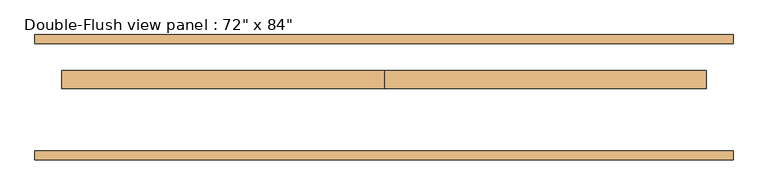
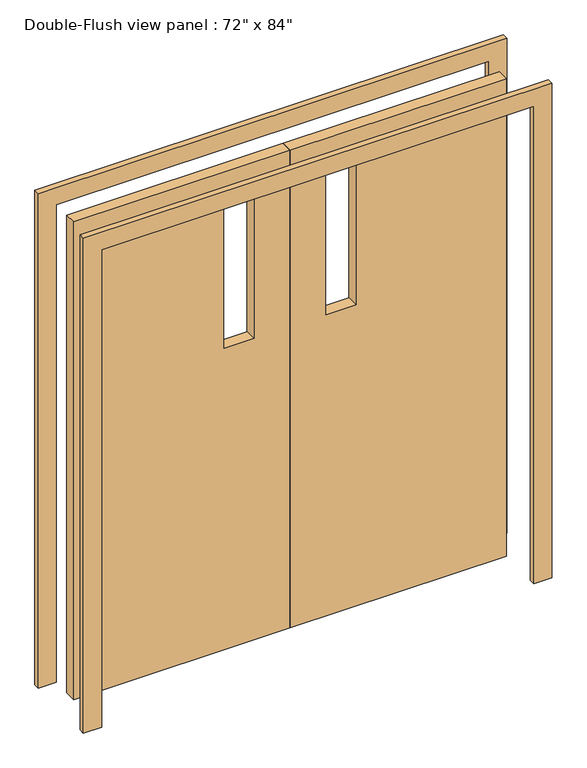
"""IFC4 building model written with IfcOpenShell, lengths in millimetres: door geometry."""

from ifc_helpers import new_model, si_unit, frame, origin, place, context, project, spatial, polyline, outline, extrude, source, transform, mapped, element, save


def door_cc436187(model_context):
    return source(origin(), model_context, "Body", "SweptSolid", [
        extrude(outline(polyline([(2133.6, 0.0), (2133.6, -914.4), (0.0, -914.4), (0.0, 0.0), (2133.6, 0.0)]), holes=[polyline([(1981.2, -279.4), (1981.2, -152.4), (1346.2, -152.4), (1346.2, -279.4), (1981.2, -279.4)])]), frame((0.0, 25.4, 0.0), z_axis=(0.0, 1.0, 0.0), x_axis=(0.0, 0.0, 1.0)), (0.0, 0.0, 1.0), 50.8),
        extrude(outline(polyline([(2133.6, 0.0), (0.0, 0.0), (0.0, 914.4), (2133.6, 914.4), (2133.6, 0.0)]), holes=[polyline([(1981.2, 279.4), (1346.2, 279.4), (1346.2, 152.4), (1981.2, 152.4), (1981.2, 279.4)])]), frame((0.0, 25.4, 0.0), z_axis=(0.0, 1.0, 0.0), x_axis=(0.0, 0.0, 1.0)), (0.0, 0.0, 1.0), 50.8),
        extrude(outline(polyline([(2133.6, -914.4), (2133.6, 914.4), (0.0, 914.4), (0.0, 990.6), (2209.8, 990.6), (2209.8, -990.6), (0.0, -990.6), (0.0, -914.4), (2133.6, -914.4)])), frame((0.0, -177.8, 0.0), z_axis=(0.0, 1.0, 0.0), x_axis=(0.0, 0.0, 1.0)), (0.0, 0.0, 1.0), 25.4),
        extrude(outline(polyline([(2133.6, -914.4), (2133.6, 914.4), (0.0, 914.4), (0.0, 990.6), (2209.8, 990.6), (2209.8, -990.6), (0.0, -990.6), (0.0, -914.4), (2133.6, -914.4)])), frame((0.0, 152.4, 0.0), z_axis=(0.0, 1.0, 0.0), x_axis=(0.0, 0.0, 1.0)), (0.0, 0.0, 1.0), 25.4),
    ])


if __name__ == "__main__":
    model = new_model("IFC4")
    model_context = context("Model", 3, world=origin())
    ifc_project = project(units=[si_unit("LENGTHUNIT", "METRE", prefix="MILLI")], contexts=[model_context])
    site = spatial("IfcSite", under=ifc_project)
    building = spatial("IfcBuilding", under=site)
    placement = place(None, origin())
    door_shape = door_cc436187(model_context)
    element("IfcDoor", 1, ObjectType="Double-Flush view panel : 72\" x 84\"", at=placement, inside=building, context=model_context, shape_type="MappedRepresentation", body=[
        mapped(door_shape, transform((0.0, 0.0, 0.0), x_axis=(1.0, 0.0, 0.0), y_axis=(0.0, 1.0, 0.0), z_axis=(0.0, 0.0, 1.0))),
    ])
    save(model, "model.ifc")
